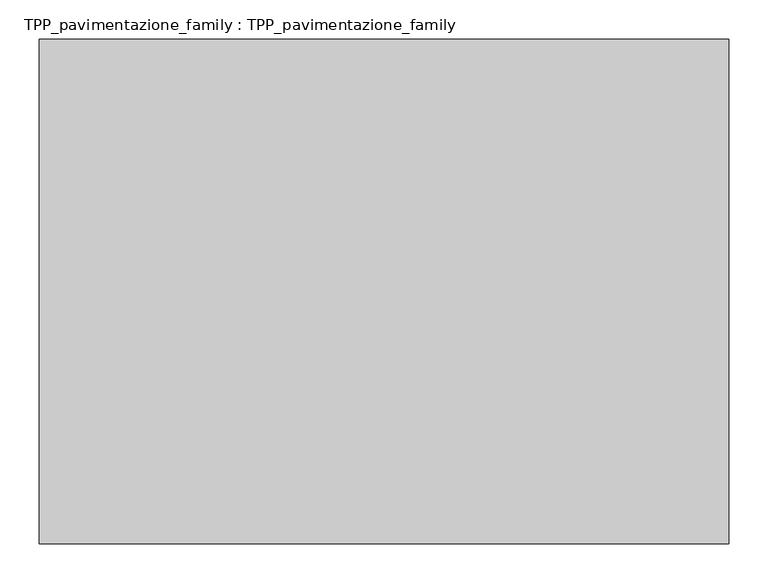
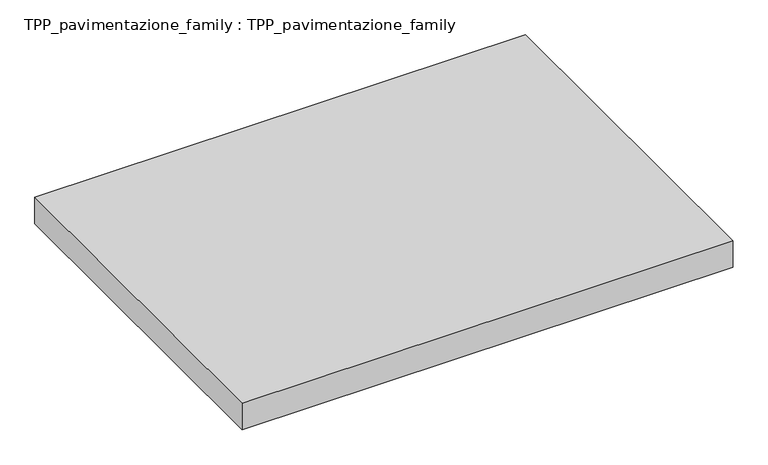
"""IFC4 building model written with IfcOpenShell, lengths in millimetres: proxy geometry, TPP_pavimentazione_family : TPP_pavimentazione_family."""

from ifc_helpers import new_model, si_unit, origin, origin_with_axes, place, context, project, spatial, polyline, outline, extrude, source, transform, mapped, element, save


def tpp_pavimentazione_family_tpp_pavimentazione_family_605bcf86(model_context):
    return source(origin(), model_context, "Body", "SweptSolid", [
        extrude(outline(polyline([(511.8146187, 354.2201026), (511.8146187, -287.321435), (-365.3433459, -287.321435), (-365.3433459, 354.2201026), (511.8146187, 354.2201026)])), origin_with_axes(), (0.0, 0.0, 1.0), 50.0),
    ])


if __name__ == "__main__":
    model = new_model("IFC4")
    model_context = context("Model", 3, world=origin())
    ifc_project = project(units=[si_unit("LENGTHUNIT", "METRE", prefix="MILLI")], contexts=[model_context])
    site = spatial("IfcSite", under=ifc_project)
    building = spatial("IfcBuilding", under=site)
    placement = place(None, origin())
    tpp_pavimentazione_family_tpp_pavimentazione_family_shape = tpp_pavimentazione_family_tpp_pavimentazione_family_605bcf86(model_context)
    element("IfcBuildingElementProxy", 1, Name="TPP_pavimentazione_family : TPP_pavimentazione_family", ObjectType="TPP_pavimentazione_family : TPP_pavimentazione_family", at=placement, inside=building, context=model_context, shape_type="MappedRepresentation", body=[
        mapped(tpp_pavimentazione_family_tpp_pavimentazione_family_shape, transform((0.0, 0.0, 0.0), x_axis=(1.0, 0.0, 0.0), y_axis=(0.0, 1.0, 0.0), z_axis=(0.0, 0.0, 1.0))),
    ])
    save(model, "model.ifc")
